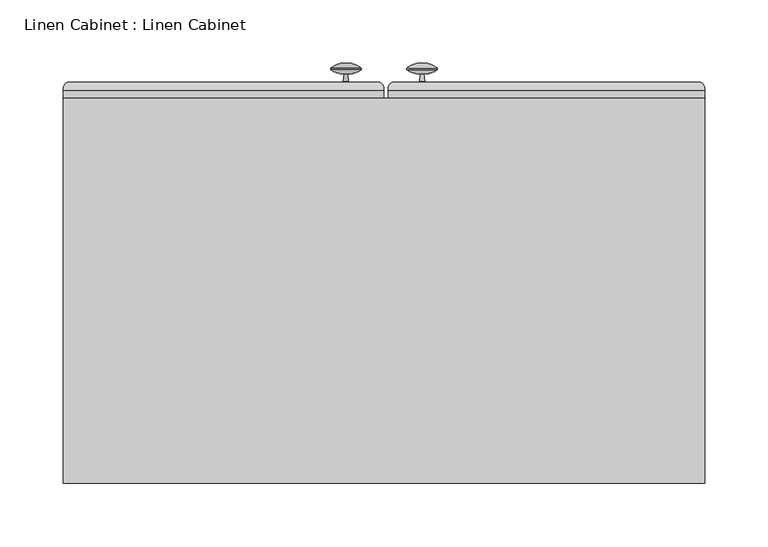
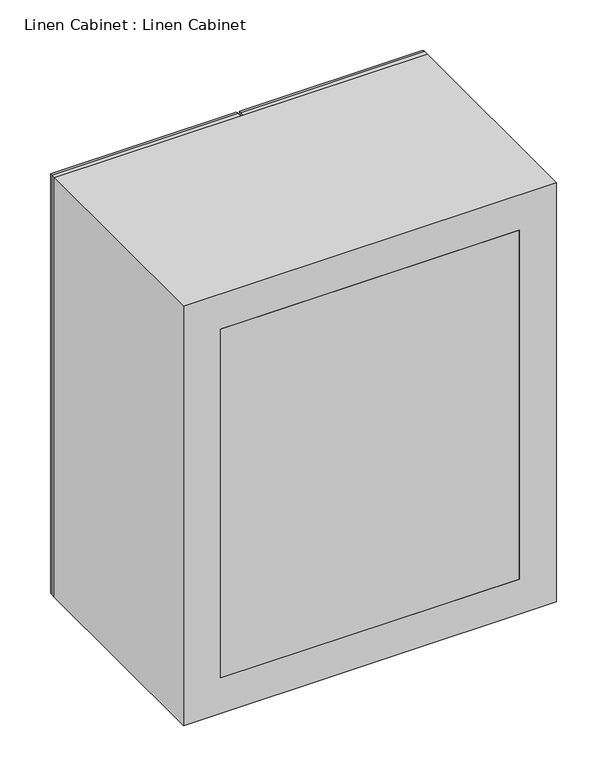
"""IFC4 building model written with IfcOpenShell, lengths in millimetres: furniture geometry, Linen Cabinet : Linen Cabinet."""

from ifc_helpers import new_model, si_unit, point, frame, frame_2d, origin, place, context, project, spatial, polyline, circle_curve, ellipse_curve, trimmed, segment, composite_curve, outline, extrude, source, transform, mapped, element, save
from ifc_brep_helpers import plane_surface, cylinder_surface, revolved_surface, advanced_brep


def linen_cabinet_linen_cabinet_ed995987(model_context):
    return source(origin(), model_context, "Body", "SolidModel", [
        extrude(outline(polyline([(-274.7654395, 366.7125), (131.6345605, 366.7125), (131.6345605, 360.3625), (-274.7654395, 360.3625), (-274.7654395, 366.7125)])), frame((0.0, 0.0, 1574.8), z_axis=(0.0, 0.0, 1.0), x_axis=(1.0, 0.0, 0.0)), (0.0, 0.0, 1.0), 501.65),
        extrude(outline(polyline([(131.6345605, 61.9125), (-274.7654395, 61.9125), (-274.7654395, 80.9625), (131.6345605, 80.9625), (131.6345605, 61.9125)])), frame((0.0, 0.0, 1574.8), z_axis=(0.0, 0.0, 1.0), x_axis=(1.0, 0.0, 0.0)), (0.0, 0.0, 1.0), 501.65),
        extrude(outline(polyline([(2127.25, -325.5654395), (1524.0, -325.5654395), (1524.0, 182.4345605), (2127.25, 182.4345605), (2127.25, -325.5654395)]), holes=[polyline([(2076.45, -274.7654395), (2076.45, 131.6345605), (1574.8, 131.6345605), (1574.8, -274.7654395), (2076.45, -274.7654395)])]), frame((0.0, 61.9125, 0.0), z_axis=(0.0, 1.0, 0.0), x_axis=(0.0, 0.0, 1.0)), (0.0, 0.0, 1.0), 304.8),
        extrude(outline(composite_curve([segment(trimmed(circle_curve(frame_2d((-298.4199247, 373.6644975)), 7.0487113), [point((-294.3401211, 379.4125))], [point((-291.3969674, 373.0625))], False, "CARTESIAN"), True, "CONTINUOUS"), segment(polyline([(-291.3969674, 373.0625), (-291.3969674, 366.7125), (-310.4469674, 366.7125), (-310.4469674, 373.0625)]), True, "CONTINUOUS"), segment(trimmed(circle_curve(frame_2d((-303.4240101, 373.6644975)), 7.0487113), [point((-310.4469674, 373.0625))], [point((-307.5038137, 379.4125))], False, "CARTESIAN"), True, "CONTINUOUS"), segment(polyline([(-307.5038137, 379.4125), (-294.3401211, 379.4125)]), True, "CONTINUOUS")], self_intersect=False)), frame((0.0, 0.0, 1569.2911459), z_axis=(0.0, 0.0, 1.0), x_axis=(1.0, 0.0, 0.0)), (0.0, 0.0, 1.0), 510.2809368),
        extrude(outline(composite_curve([segment(polyline([(379.4125, 1834.7342241), (379.4125, 1821.5705316)]), True, "CONTINUOUS"), segment(trimmed(circle_curve(frame_2d((373.6644975, 1825.6503351)), 7.0487113), [point((379.4125, 1821.5705316))], [point((373.0625, 1818.6273778))], False, "CARTESIAN"), True, "CONTINUOUS"), segment(polyline([(373.0625, 1818.6273778), (366.7125, 1818.6273778), (366.7125, 1837.6773778), (373.0625, 1837.6773778)]), True, "CONTINUOUS"), segment(trimmed(circle_curve(frame_2d((373.6644975, 1830.6544205)), 7.0487113), [point((373.0625, 1837.6773778))], [point((379.4125, 1834.7342241))], False, "CARTESIAN"), True, "CONTINUOUS")], self_intersect=False)), frame((-277.9155794, 0.0, 0.0), z_axis=(1.0, 0.0, 0.0), x_axis=(0.0, 1.0, 0.0)), (0.0, 0.0, 1.0), 158.7002798),
        extrude(outline(composite_curve([segment(polyline([(379.4125, 1834.9261538), (379.4125, 1821.7624613)]), True, "CONTINUOUS"), segment(trimmed(circle_curve(frame_2d((373.6644975, 1825.8422648)), 7.0487113), [point((379.4125, 1821.7624613))], [point((373.0625, 1818.8193075))], False, "CARTESIAN"), True, "CONTINUOUS"), segment(polyline([(373.0625, 1818.8193075), (366.7125, 1818.8193075), (366.7125, 1837.8693075), (373.0625, 1837.8693075)]), True, "CONTINUOUS"), segment(trimmed(circle_curve(frame_2d((373.6644975, 1830.8463502)), 7.0487113), [point((373.0625, 1837.8693075))], [point((379.4125, 1834.9261538))], False, "CARTESIAN"), True, "CONTINUOUS")], self_intersect=False)), frame((-20.7654395, 0.0, 0.0), z_axis=(1.0, 0.0, 0.0), x_axis=(0.0, 1.0, 0.0)), (0.0, 0.0, 1.0), 155.575),
        extrude(outline(composite_curve([segment(trimmed(circle_curve(frame_2d((161.6134605, 373.6644975)), 7.0487113), [point((165.6932641, 379.4125))], [point((168.6364178, 373.0625))], False, "CARTESIAN"), True, "CONTINUOUS"), segment(polyline([(168.6364178, 373.0625), (168.6364178, 366.7125), (149.5864178, 366.7125), (149.5864178, 373.0625)]), True, "CONTINUOUS"), segment(trimmed(circle_curve(frame_2d((156.6093751, 373.6644975)), 7.0487113), [point((149.5864178, 373.0625))], [point((152.5295715, 379.4125))], False, "CARTESIAN"), True, "CONTINUOUS"), segment(polyline([(152.5295715, 379.4125), (165.6932641, 379.4125)]), True, "CONTINUOUS")], self_intersect=False)), frame((0.0, 0.0, 1571.625), z_axis=(0.0, 0.0, 1.0), x_axis=(1.0, 0.0, 0.0)), (0.0, 0.0, 1.0), 508.0),
        advanced_brep(
        [(-325.5405794, 373.0625, 1524.0248601), (-322.3655794, 379.4125, 1527.1998601), (-74.7652996, 379.4125, 1527.1998601), (-71.5902996, 373.0625, 1524.0248601), (-74.7652996, 379.4125, 2124.0501399), (-71.5902996, 373.0625, 2127.2251399), (-322.3655794, 379.4125, 2124.0501399), (-119.2152996, 379.4125, 2079.6001399), (-277.9155794, 379.4125, 2079.6001399), (-277.9155794, 379.4125, 1571.6498601), (-119.2152996, 379.4125, 1571.6498601), (-71.5902996, 366.7125, 1524.0248601), (-71.5902996, 366.7125, 2127.2251399), (-325.5405794, 366.7125, 1524.0248601), (-325.5405794, 366.7125, 2127.2251399), (-122.3902996, 366.7125, 1574.8248601), (-274.7405794, 366.7125, 1574.8248601), (-274.7405794, 366.7125, 2076.4251399), (-122.3902996, 366.7125, 2076.4251399), (-274.7405794, 373.0625, 1574.8248601), (-122.3902996, 373.0625, 1574.8248601), (-122.3902996, 373.0625, 2076.4251399), (-325.5405794, 373.0625, 2127.2251399), (-274.7405794, 373.0625, 2076.4251399)],
        [
            (0, 1, ellipse_curve(frame((-318.7649784, 373.6434495, 1530.8004611), z_axis=(0.7071067811865475, 0.0, -0.7071067811865475), x_axis=(-0.7071067811865476, 0.0, -0.7071067811865474)), 9.6173043, 6.8004611)),
            (1, 2),
            (2, 3, ellipse_curve(frame((-78.3659006, 373.6434495, 1530.8004611), z_axis=(-0.7071067811865475, 0.0, -0.7071067811865475), x_axis=(-0.7071067811865476, 0.0, 0.7071067811865474)), 9.6173043, 6.8004611)),
            (3, 0),
            (2, 4),
            (4, 5, ellipse_curve(frame((-78.3659006, 373.6434495, 2120.4495389), z_axis=(0.7071067811865475, 0.0, -0.7071067811865475), x_axis=(-0.7071067811865474, 0.0, -0.7071067811865476)), 9.6173043, 6.8004611)),
            (5, 3),
            (1, 6),
            (6, 4),
            (7, 8),
            (8, 9),
            (9, 10),
            (10, 7),
            (11, 3),
            (5, 12),
            (12, 11),
            (13, 0),
            (11, 13),
            (12, 14),
            (14, 13),
            (15, 16),
            (16, 17),
            (17, 18),
            (18, 15),
            (19, 16),
            (15, 20),
            (20, 19),
            (18, 21),
            (21, 20),
            (10, 20, ellipse_curve(frame((-115.6146986, 373.6434495, 1568.0492591), z_axis=(0.7071067811865475, 0.0, 0.7071067811865475), x_axis=(0.7071067811865474, 0.0, -0.7071067811865476)), 9.6173043, 6.8004611)),
            (21, 7, ellipse_curve(frame((-115.6146986, 373.6434495, 2083.2007409), z_axis=(0.7071067811865475, 0.0, -0.7071067811865475), x_axis=(-0.7071067811865474, 0.0, -0.7071067811865476)), 9.6173043, 6.8004611)),
            (9, 19, ellipse_curve(frame((-281.5161804, 373.6434495, 1568.0492591), z_axis=(0.7071067811865475, 0.0, -0.7071067811865475), x_axis=(-0.7071067811865476, 0.0, -0.7071067811865474)), 9.6173043, 6.8004611)),
            (22, 6, ellipse_curve(frame((-318.7649784, 373.6434495, 2120.4495389), z_axis=(-0.7071067811865475, 0.0, -0.7071067811865475), x_axis=(-0.7071067811865474, 0.0, 0.7071067811865476)), 9.6173043, 6.8004611)),
            (0, 22),
            (14, 22),
            (23, 17),
            (19, 23),
            (8, 23, ellipse_curve(frame((-281.5161804, 373.6434495, 2083.2007409), z_axis=(-0.7071067811865475, 0.0, -0.7071067811865475), x_axis=(-0.7071067811865474, 0.0, 0.7071067811865476)), 9.6173043, 6.8004611)),
            (22, 5),
            (23, 21),
        ],
        [
            cylinder_surface(frame((-274.7654395, 373.6434495, 1530.8004611), z_axis=(-1.0, 0.0, 0.0), x_axis=(0.0, 0.0, -1.0)), 6.8004611),
            cylinder_surface(frame((-78.3659006, 373.6434495, 1574.8), z_axis=(0.0, 0.0, -1.0), x_axis=(1.0, 0.0, 0.0)), 6.8004611),
            plane_surface(frame((-277.9155794, 379.4125, 1571.6498601), z_axis=(0.0, 1.0, 0.0), x_axis=(1.0, 0.0, 0.0))),
            plane_surface(frame((-71.5902996, 373.0625, 1524.0248601), z_axis=(1.0, 0.0, 0.0), x_axis=(0.0, 0.0, 1.0))),
            plane_surface(frame((-325.5405794, 373.0625, 1524.0248601), z_axis=(0.0, 0.0, -1.0), x_axis=(1.0, 0.0, 0.0))),
            plane_surface(frame((-325.5405794, 366.7125, 1524.0248601), z_axis=(0.0, -1.0, 0.0), x_axis=(1.0, 0.0, 0.0))),
            plane_surface(frame((-274.7405794, 366.7125, 1574.8248601), z_axis=(0.0, 0.0, 1.0), x_axis=(1.0, 0.0, 0.0))),
            plane_surface(frame((-122.3902996, 366.7125, 1574.8248601), z_axis=(-1.0, 0.0, 0.0), x_axis=(0.0, 0.0, 1.0))),
            cylinder_surface(frame((-115.6146986, 373.6434495, 1574.8), z_axis=(0.0, 0.0, -1.0), x_axis=(1.0, 0.0, 0.0)), 6.8004611),
            cylinder_surface(frame((-274.7654395, 373.6434495, 1568.0492591), z_axis=(-1.0, 0.0, 0.0), x_axis=(0.0, 0.0, -1.0)), 6.8004611),
            cylinder_surface(frame((-318.7649784, 373.6434495, 2076.45), z_axis=(0.0, 0.0, 1.0), x_axis=(-1.0, 0.0, 0.0)), 6.8004611),
            plane_surface(frame((-325.5405794, 373.0625, 2127.2251399), z_axis=(-1.0, 0.0, 0.0), x_axis=(0.0, 0.0, -1.0))),
            plane_surface(frame((-274.7405794, 366.7125, 2076.4251399), z_axis=(1.0, 0.0, 0.0), x_axis=(0.0, 0.0, -1.0))),
            cylinder_surface(frame((-281.5161804, 373.6434495, 2076.45), z_axis=(0.0, 0.0, 1.0), x_axis=(-1.0, 0.0, 0.0)), 6.8004611),
            cylinder_surface(frame((-122.3654395, 373.6434495, 2120.4495389), z_axis=(1.0, 0.0, 0.0), x_axis=(0.0, 0.0, 1.0)), 6.8004611),
            plane_surface(frame((-71.5902996, 373.0625, 2127.2251399), z_axis=(0.0, 0.0, 1.0), x_axis=(-1.0, 0.0, 0.0))),
            plane_surface(frame((-122.3902996, 366.7125, 2076.4251399), z_axis=(0.0, 0.0, -1.0), x_axis=(-1.0, 0.0, 0.0))),
            cylinder_surface(frame((-122.3654395, 373.6434495, 2083.2007409), z_axis=(1.0, 0.0, 0.0), x_axis=(0.0, 0.0, 1.0)), 6.8004611),
        ],
        [
            (0, [[1, 2, 3, 4]]),
            (1, [[-3, 5, 6, 7]]),
            (2, [[-2, 8, 9, -5], [10, 11, 12, 13]]),
            (3, [[14, -7, 15, 16]]),
            (4, [[17, -4, -14, 18]]),
            (5, [[19, 20, -18, -16], [21, 22, 23, 24]]),
            (6, [[25, -21, 26, 27]]),
            (7, [[-26, -24, 28, 29]]),
            (8, [[30, -29, 31, -13]]),
            (9, [[32, -27, -30, -12]]),
            (10, [[33, -8, -1, 34]]),
            (11, [[35, -34, -17, -20]]),
            (12, [[36, -22, -25, 37]]),
            (13, [[38, -37, -32, -11]]),
            (14, [[-6, -9, -33, 39]]),
            (15, [[-15, -39, -35, -19]]),
            (16, [[-28, -23, -36, 40]]),
            (17, [[-31, -40, -38, -10]]),
        ],
    ),
        advanced_brep(
        [(-68.3904395, 373.0625, 2127.25), (-65.2154395, 379.4125, 2124.075), (-65.2154395, 379.4125, 1527.175), (-68.3904395, 373.0625, 1524.0), (179.2595605, 379.4125, 2124.075), (179.2595605, 379.4125, 1527.175), (-20.7654395, 379.4125, 1571.625), (134.8095605, 379.4125, 1571.625), (134.8095605, 379.4125, 2079.625), (-20.7654395, 379.4125, 2079.625), (182.4345605, 373.0625, 1524.0), (-68.3904395, 366.7125, 2127.25), (-68.3904395, 366.7125, 1524.0), (182.4345605, 366.7125, 1524.0), (182.4345605, 366.7125, 2127.25), (-17.5904395, 366.7125, 2076.45), (131.6345605, 366.7125, 2076.45), (131.6345605, 366.7125, 1574.8), (-17.5904395, 366.7125, 1574.8), (-17.5904395, 373.0625, 2076.45), (-17.5904395, 373.0625, 1574.8), (131.6345605, 373.0625, 1574.8), (182.4345605, 373.0625, 2127.25), (131.6345605, 373.0625, 2076.45)],
        [
            (0, 1, ellipse_curve(frame((-61.6148385, 373.6434495, 2120.474399), z_axis=(-0.7071067811865475, 0.0, -0.7071067811865475), x_axis=(-0.7071067811865474, 0.0, 0.7071067811865476)), 9.6173043, 6.8004611)),
            (1, 2),
            (2, 3, ellipse_curve(frame((-61.6148385, 373.6434495, 1530.775601), z_axis=(-0.7071067811865475, 0.0, 0.7071067811865475), x_axis=(0.7071067811865474, 0.0, 0.7071067811865476)), 9.6173043, 6.8004611)),
            (3, 0),
            (1, 4),
            (4, 5),
            (5, 2),
            (6, 7),
            (7, 8),
            (8, 9),
            (9, 6),
            (5, 10, ellipse_curve(frame((175.6589595, 373.6434495, 1530.775601), z_axis=(-0.7071067811865475, 0.0, -0.7071067811865475), x_axis=(-0.7071067811865476, 0.0, 0.7071067811865474)), 9.6173043, 6.8004611)),
            (10, 3),
            (11, 0),
            (3, 12),
            (12, 11),
            (10, 13),
            (13, 12),
            (13, 14),
            (14, 11),
            (15, 16),
            (16, 17),
            (17, 18),
            (18, 15),
            (19, 15),
            (18, 20),
            (20, 19),
            (17, 21),
            (21, 20),
            (9, 19, ellipse_curve(frame((-24.3660405, 373.6434495, 2083.225601), z_axis=(-0.7071067811865475, 0.0, -0.7071067811865475), x_axis=(-0.7071067811865474, 0.0, 0.7071067811865476)), 9.6173043, 6.8004611)),
            (20, 6, ellipse_curve(frame((-24.3660405, 373.6434495, 1568.024399), z_axis=(-0.7071067811865475, 0.0, 0.7071067811865475), x_axis=(0.7071067811865474, 0.0, 0.7071067811865476)), 9.6173043, 6.8004611)),
            (21, 7, ellipse_curve(frame((138.4101615, 373.6434495, 1568.024399), z_axis=(-0.7071067811865475, 0.0, -0.7071067811865475), x_axis=(-0.7071067811865476, 0.0, 0.7071067811865474)), 9.6173043, 6.8004611)),
            (4, 22, ellipse_curve(frame((175.6589595, 373.6434495, 2120.474399), z_axis=(0.7071067811865475, 0.0, -0.7071067811865475), x_axis=(-0.7071067811865474, 0.0, -0.7071067811865476)), 9.6173043, 6.8004611)),
            (22, 10),
            (22, 14),
            (16, 23),
            (23, 21),
            (23, 8, ellipse_curve(frame((138.4101615, 373.6434495, 2083.225601), z_axis=(0.7071067811865475, 0.0, -0.7071067811865475), x_axis=(-0.7071067811865474, 0.0, -0.7071067811865476)), 9.6173043, 6.8004611)),
            (0, 22),
            (19, 23),
        ],
        [
            cylinder_surface(frame((-61.6148385, 373.6434495, 2076.45), z_axis=(0.0, 0.0, 1.0), x_axis=(-1.0, 0.0, 0.0)), 6.8004611),
            plane_surface(frame((134.8095605, 379.4125, 2079.625), z_axis=(0.0, 1.0, 0.0), x_axis=(-1.0, 0.0, 0.0))),
            cylinder_surface(frame((-17.5904395, 373.6434495, 1530.775601), z_axis=(-1.0, 0.0, 0.0), x_axis=(0.0, 0.0, -1.0)), 6.8004611),
            plane_surface(frame((-68.3904395, 373.0625, 2127.25), z_axis=(-1.0, 0.0, 0.0), x_axis=(0.0, 0.0, -1.0))),
            plane_surface(frame((-68.3904395, 373.0625, 1524.0), z_axis=(0.0, 0.0, -1.0), x_axis=(1.0, 0.0, 0.0))),
            plane_surface(frame((182.4345605, 366.7125, 2127.25), z_axis=(0.0, -1.0, 0.0), x_axis=(-1.0, 0.0, 0.0))),
            plane_surface(frame((-17.5904395, 366.7125, 2076.45), z_axis=(1.0, 0.0, 0.0), x_axis=(0.0, 0.0, -1.0))),
            plane_surface(frame((-17.5904395, 366.7125, 1574.8), z_axis=(0.0, 0.0, 1.0), x_axis=(1.0, 0.0, 0.0))),
            cylinder_surface(frame((-24.3660405, 373.6434495, 2076.45), z_axis=(0.0, 0.0, 1.0), x_axis=(-1.0, 0.0, 0.0)), 6.8004611),
            cylinder_surface(frame((-17.5904395, 373.6434495, 1568.024399), z_axis=(-1.0, 0.0, 0.0), x_axis=(0.0, 0.0, -1.0)), 6.8004611),
            cylinder_surface(frame((175.6589595, 373.6434495, 1574.8), z_axis=(0.0, 0.0, -1.0), x_axis=(1.0, 0.0, 0.0)), 6.8004611),
            plane_surface(frame((182.4345605, 373.0625, 1524.0), z_axis=(1.0, 0.0, 0.0), x_axis=(0.0, 0.0, 1.0))),
            plane_surface(frame((131.6345605, 366.7125, 1574.8), z_axis=(-1.0, 0.0, 0.0), x_axis=(0.0, 0.0, 1.0))),
            cylinder_surface(frame((138.4101615, 373.6434495, 1574.8), z_axis=(0.0, 0.0, -1.0), x_axis=(1.0, 0.0, 0.0)), 6.8004611),
            cylinder_surface(frame((131.6345605, 373.6434495, 2120.474399), z_axis=(1.0, 0.0, 0.0), x_axis=(0.0, 0.0, 1.0)), 6.8004611),
            plane_surface(frame((182.4345605, 373.0625, 2127.25), z_axis=(0.0, 0.0, 1.0), x_axis=(-1.0, 0.0, 0.0))),
            plane_surface(frame((131.6345605, 366.7125, 2076.45), z_axis=(0.0, 0.0, -1.0), x_axis=(-1.0, 0.0, 0.0))),
            cylinder_surface(frame((131.6345605, 373.6434495, 2083.225601), z_axis=(1.0, 0.0, 0.0), x_axis=(0.0, 0.0, 1.0)), 6.8004611),
        ],
        [
            (0, [[1, 2, 3, 4]]),
            (1, [[5, 6, 7, -2], [8, 9, 10, 11]]),
            (2, [[-3, -7, 12, 13]]),
            (3, [[14, -4, 15, 16]]),
            (4, [[-15, -13, 17, 18]]),
            (5, [[-18, 19, 20, -16], [21, 22, 23, 24]]),
            (6, [[25, -24, 26, 27]]),
            (7, [[-26, -23, 28, 29]]),
            (8, [[30, -27, 31, -11]]),
            (9, [[-31, -29, 32, -8]]),
            (10, [[-12, -6, 33, 34]]),
            (11, [[-17, -34, 35, -19]]),
            (12, [[-28, -22, 36, 37]]),
            (13, [[-32, -37, 38, -9]]),
            (14, [[-33, -5, -1, 39]]),
            (15, [[-35, -39, -14, -20]]),
            (16, [[-36, -21, -25, 40]]),
            (17, [[-38, -40, -30, -10]]),
        ],
    ),
        advanced_brep(
        [(-103.0183118, 386.3901003, 1583.5590145), (-100.4037014, 386.3901003, 1583.5590145), (-99.7684205, 380.3458067, 1583.5590145), (-103.6535926, 380.3458067, 1583.5590145), (-113.7619206, 389.4707805, 1583.5590145), (-89.6600926, 389.4707805, 1583.5590145), (-113.7619206, 390.529555, 1583.5590145), (-89.6600926, 390.529555, 1583.5590145), (-101.7110066, 394.5828853, 1583.5590145), (-101.7110066, 380.3458067, 1583.5590145)],
        [
            (0, 1, circle_curve(frame((-101.7110066, 386.3901003, 1583.5590145), z_axis=(0.0, -1.0, 0.0), x_axis=(1.0, 0.0, 0.0)), 1.3073052)),
            (1, 2),
            (2, 3, circle_curve(frame((-101.7110066, 380.3458067, 1583.5590145), z_axis=(0.0, 1.0, 0.0), x_axis=(1.0, 0.0, 0.0)), 1.9425861)),
            (3, 0),
            (1, 0, circle_curve(frame((-101.7110066, 386.3901003, 1583.5590145), z_axis=(0.0, -1.0, 0.0), x_axis=(1.0, 0.0, 0.0)), 1.3073052)),
            (3, 2, circle_curve(frame((-101.7110066, 380.3458067, 1583.5590145), z_axis=(0.0, 1.0, 0.0), x_axis=(1.0, 0.0, 0.0)), 1.9425861)),
            (4, 5, circle_curve(frame((-101.7110066, 389.4707805, 1583.5590145), z_axis=(0.0, -1.0, 0.0), x_axis=(1.0, 0.0, 0.0)), 12.050914)),
            (5, 1, circle_curve(frame((-99.3341666, 402.9342375, 1583.5590145), z_axis=(0.0, 0.0, -1.0), x_axis=(-1.0, 0.0, 0.0)), 16.5786725)),
            (0, 4, circle_curve(frame((-104.0878466, 402.9342375, 1583.5590145), z_axis=(0.0, 0.0, -1.0), x_axis=(1.0, 0.0, 0.0)), 16.5786725)),
            (5, 4, circle_curve(frame((-101.7110066, 389.4707805, 1583.5590145), z_axis=(0.0, -1.0, 0.0), x_axis=(1.0, 0.0, 0.0)), 12.050914)),
            (6, 7, circle_curve(frame((-101.7110066, 390.529555, 1583.5590145), z_axis=(0.0, -1.0, 0.0), x_axis=(1.0, 0.0, 0.0)), 12.050914)),
            (7, 5),
            (4, 6),
            (7, 6, circle_curve(frame((-101.7110066, 390.529555, 1583.5590145), z_axis=(0.0, -1.0, 0.0), x_axis=(1.0, 0.0, 0.0)), 12.050914)),
            (8, 7, circle_curve(frame((-100.5227543, 378.1747775, 1583.5590145), z_axis=(0.0, 0.0, -1.0), x_axis=(-1.0, 0.0, 0.0)), 16.4510774)),
            (6, 8, circle_curve(frame((-102.8992589, 378.1747775, 1583.5590145), z_axis=(0.0, 0.0, -1.0), x_axis=(1.0, 0.0, 0.0)), 16.4510774)),
            (2, 9),
            (9, 3),
        ],
        [
            revolved_surface(polyline([(-99.7684205, 380.3458067, 1583.5590145), (-100.4037014, 386.3901003, 1583.5590145)]), (-101.7110066, 276.5009287, 1583.5590145), (0.0, 1.0, 0.0)),
            revolved_surface(trimmed(ellipse_curve(frame((-99.3341666, 402.9342375, 1583.5590145), z_axis=(0.0, 0.0, 1.0), x_axis=(-1.0, 0.0, 0.0)), 16.5786725, 16.5786725), [point((-100.4037014, 386.3901003, 1583.5590145))], [point((-89.6600926, 389.4707805, 1583.5590145))], True, "CARTESIAN"), (-101.7110066, 276.5009287, 1583.5590145), (0.0, 1.0, 0.0)),
            cylinder_surface(frame((-101.7110066, 276.5009287, 1583.5590145), z_axis=(0.0, 1.0, 0.0), x_axis=(1.0, 0.0, 0.0)), 12.050914),
            revolved_surface(trimmed(ellipse_curve(frame((-100.5227543, 378.1747775, 1583.5590145), z_axis=(0.0, 0.0, 1.0), x_axis=(-1.0, 0.0, 0.0)), 16.4510774, 16.4510774), [point((-89.6600926, 390.529555, 1583.5590145))], [point((-101.7110066, 394.5828853, 1583.5590145))], True, "CARTESIAN"), (-101.7110066, 276.5009287, 1583.5590145), (0.0, 1.0, 0.0)),
            plane_surface(frame((-101.7110066, 380.3458067, 1583.5590145), z_axis=(0.0, -1.0, 0.0), x_axis=(1.0, 0.0, 0.0))),
        ],
        [
            (0, [[1, 2, 3, 4]]),
            (0, [[5, -4, 6, -2]]),
            (1, [[7, 8, -1, 9]]),
            (1, [[10, -9, -5, -8]]),
            (2, [[11, 12, -7, 13]]),
            (2, [[14, -13, -10, -12]]),
            (3, [[15, -11, 16]]),
            (3, [[-16, -14, -15]]),
            (4, [[-3, 17, 18]]),
            (4, [[-6, -18, -17]]),
        ],
    ),
        advanced_brep(
        [(-41.4198724, 380.3458067, 1583.5590145), (-43.3624584, 380.3458067, 1583.5590145), (-39.4772863, 380.3458067, 1583.5590145), (-29.3689583, 390.529555, 1583.5590145), (-53.4707864, 390.529555, 1583.5590145), (-41.4198724, 394.5828853, 1583.5590145), (-29.3689583, 389.4707805, 1583.5590145), (-53.4707864, 389.4707805, 1583.5590145), (-40.1125672, 386.3901003, 1583.5590145), (-42.7271776, 386.3901003, 1583.5590145)],
        [
            (0, 1),
            (1, 2, circle_curve(frame((-41.4198724, 380.3458067, 1583.5590145), z_axis=(0.0, -1.0, 0.0), x_axis=(-1.0, 0.0, 0.0)), 1.9425861)),
            (2, 0),
            (2, 1, circle_curve(frame((-41.4198724, 380.3458067, 1583.5590145), z_axis=(0.0, -1.0, 0.0), x_axis=(-1.0, 0.0, 0.0)), 1.9425861)),
            (3, 4, circle_curve(frame((-41.4198724, 390.529555, 1583.5590145), z_axis=(0.0, 1.0, 0.0), x_axis=(-1.0, 0.0, 0.0)), 12.050914)),
            (4, 5, circle_curve(frame((-42.6081246, 378.1747775, 1583.5590145), z_axis=(0.0, 0.0, -1.0), x_axis=(1.0, 0.0, 0.0)), 16.4510774)),
            (5, 3, circle_curve(frame((-40.2316201, 378.1747775, 1583.5590145), z_axis=(0.0, 0.0, -1.0), x_axis=(-1.0, 0.0, 0.0)), 16.4510774)),
            (4, 3, circle_curve(frame((-41.4198724, 390.529555, 1583.5590145), z_axis=(0.0, 1.0, 0.0), x_axis=(-1.0, 0.0, 0.0)), 12.050914)),
            (6, 7, circle_curve(frame((-41.4198724, 389.4707805, 1583.5590145), z_axis=(0.0, 1.0, 0.0), x_axis=(-1.0, 0.0, 0.0)), 12.050914)),
            (7, 4),
            (3, 6),
            (7, 6, circle_curve(frame((-41.4198724, 389.4707805, 1583.5590145), z_axis=(0.0, 1.0, 0.0), x_axis=(-1.0, 0.0, 0.0)), 12.050914)),
            (8, 9, circle_curve(frame((-41.4198724, 386.3901003, 1583.5590145), z_axis=(0.0, 1.0, 0.0), x_axis=(-1.0, 0.0, 0.0)), 1.3073052)),
            (9, 7, circle_curve(frame((-43.7967124, 402.9342375, 1583.5590145), z_axis=(0.0, 0.0, -1.0), x_axis=(1.0, 0.0, 0.0)), 16.5786725)),
            (6, 8, circle_curve(frame((-39.0430323, 402.9342375, 1583.5590145), z_axis=(0.0, 0.0, -1.0), x_axis=(-1.0, 0.0, 0.0)), 16.5786725)),
            (9, 8, circle_curve(frame((-41.4198724, 386.3901003, 1583.5590145), z_axis=(0.0, 1.0, 0.0), x_axis=(-1.0, 0.0, 0.0)), 1.3073052)),
            (1, 9),
            (8, 2),
        ],
        [
            plane_surface(frame((-41.4198724, 380.3458067, 1583.5590145), z_axis=(0.0, -1.0, 0.0), x_axis=(-1.0, 0.0, 0.0))),
            revolved_surface(trimmed(ellipse_curve(frame((-42.6081246, 378.1747775, 1583.5590145), z_axis=(0.0, 0.0, 1.0), x_axis=(1.0, 0.0, 0.0)), 16.4510774, 16.4510774), [point((-41.4198724, 394.5828853, 1583.5590145))], [point((-53.4707864, 390.529555, 1583.5590145))], True, "CARTESIAN"), (-41.4198724, 290.7884287, 1583.5590145), (0.0, -1.0, 0.0)),
            cylinder_surface(frame((-41.4198724, 290.7884287, 1583.5590145), z_axis=(0.0, -1.0, 0.0), x_axis=(-1.0, 0.0, 0.0)), 12.050914),
            revolved_surface(trimmed(ellipse_curve(frame((-43.7967124, 402.9342375, 1583.5590145), z_axis=(0.0, 0.0, 1.0), x_axis=(1.0, 0.0, 0.0)), 16.5786725, 16.5786725), [point((-53.4707864, 389.4707805, 1583.5590145))], [point((-42.7271776, 386.3901003, 1583.5590145))], True, "CARTESIAN"), (-41.4198724, 290.7884287, 1583.5590145), (0.0, -1.0, 0.0)),
            revolved_surface(polyline([(-42.7271776, 386.3901003, 1583.5590145), (-43.3624584, 380.3458067, 1583.5590145)]), (-41.4198724, 290.7884287, 1583.5590145), (0.0, -1.0, 0.0)),
        ],
        [
            (0, [[1, 2, 3]]),
            (0, [[-3, 4, -1]]),
            (1, [[5, 6, 7]]),
            (1, [[8, -7, -6]]),
            (2, [[9, 10, -5, 11]]),
            (2, [[12, -11, -8, -10]]),
            (3, [[13, 14, -9, 15]]),
            (3, [[16, -15, -12, -14]]),
            (4, [[-2, 17, -13, 18]]),
            (4, [[-4, -18, -16, -17]]),
        ],
    ),
        extrude(outline(polyline([(131.6345605, 80.9625), (-274.7654395, 80.9625), (-274.7654395, 360.3625), (131.6345605, 360.3625), (131.6345605, 80.9625)])), frame((0.0, 0.0, 1943.1), z_axis=(0.0, 0.0, 1.0), x_axis=(1.0, 0.0, 0.0)), (0.0, 0.0, 1.0), 6.35),
        extrude(outline(polyline([(131.6345605, 80.9625), (-274.7654395, 80.9625), (-274.7654395, 360.3625), (131.6345605, 360.3625), (131.6345605, 80.9625)])), frame((0.0, 0.0, 1720.85), z_axis=(0.0, 0.0, 1.0), x_axis=(1.0, 0.0, 0.0)), (0.0, 0.0, 1.0), 6.35),
    ])


if __name__ == "__main__":
    model = new_model("IFC4")
    model_context = context("Model", 3, world=origin())
    ifc_project = project(units=[si_unit("LENGTHUNIT", "METRE", prefix="MILLI")], contexts=[model_context])
    site = spatial("IfcSite", under=ifc_project)
    building = spatial("IfcBuilding", under=site)
    placement = place(None, origin())
    linen_cabinet_linen_cabinet_shape = linen_cabinet_linen_cabinet_ed995987(model_context)
    element("IfcFurniture", 1, ObjectType="Linen Cabinet : Linen Cabinet", at=placement, inside=building, context=model_context, shape_type="MappedRepresentation", body=[
        mapped(linen_cabinet_linen_cabinet_shape, transform((0.0, 0.0, 0.0), x_axis=(1.0, 0.0, 0.0), y_axis=(0.0, 1.0, 0.0), z_axis=(0.0, 0.0, 1.0))),
    ])
    save(model, "model.ifc")
